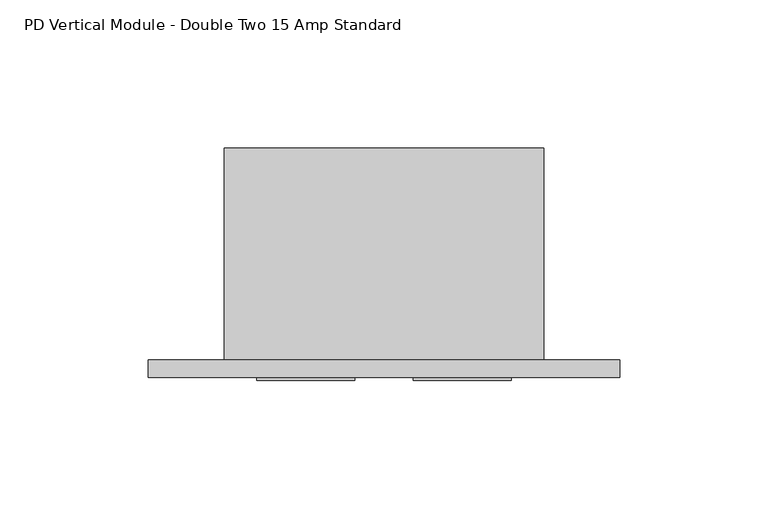
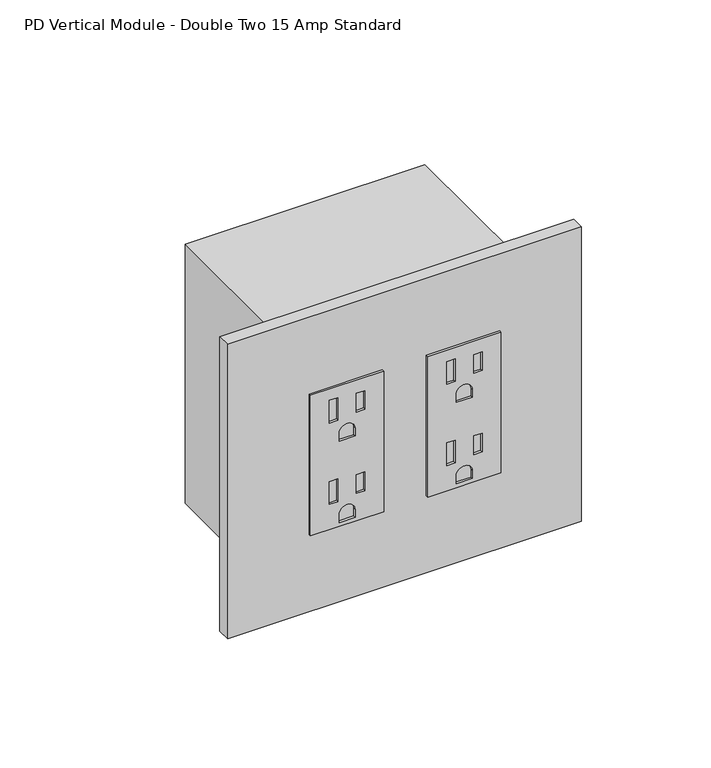
"""IFC4 building model written with IfcOpenShell, lengths in millimetres: proxy geometry, PD Vertical Module - Double Two 15 Amp Standard."""

from ifc_helpers import new_model, si_unit, point, frame, frame_2d, origin, place, context, project, spatial, polyline, circle_curve, trimmed, segment, composite_curve, outline, extrude, source, transform, mapped, element, save


def pd_vertical_module_double_two_15_amp_standard_5d486d28(model_context):
    return source(origin(), model_context, "Body", "SweptSolid", [
        extrude(outline(polyline([(414.3876229, 96.9264), (414.3876229, 63.9318), (347.4332229, 63.9318), (347.4332229, 96.9264), (414.3876229, 96.9264)]), holes=[polyline([(409.0028229, 76.2762), (398.1824229, 76.2762), (398.1824229, 72.4408), (409.0028229, 72.4408), (409.0028229, 76.2762)]), polyline([(408.0249229, 88.4428), (399.1603229, 88.4428), (399.1603229, 84.6074), (408.0249229, 84.6074), (408.0249229, 88.4428)]), composite_curve([segment(polyline([(387.9970229, 76.7969), (391.6292229, 76.7969)]), True, "CONTINUOUS"), segment(trimmed(circle_curve(frame_2d((391.6292229, 80.4291)), 3.6322), [point((391.6292229, 76.7969))], [point((391.6292229, 84.0613))], True, "CARTESIAN"), True, "CONTINUOUS"), segment(polyline([(391.6292229, 84.0613), (387.9970229, 84.0613), (387.9970229, 76.7969)]), True, "CONTINUOUS")], self_intersect=False), polyline([(370.2678229, 76.2762), (359.4474229, 76.2762), (359.4474229, 72.4408), (370.2678229, 72.4408), (370.2678229, 76.2762)]), polyline([(369.2899229, 88.4428), (360.4253229, 88.4428), (360.4253229, 84.6074), (369.2899229, 84.6074), (369.2899229, 88.4428)]), composite_curve([segment(polyline([(352.8942229, 84.0613), (349.2620229, 84.0613), (349.2620229, 76.7969), (352.8942229, 76.7969)]), True, "CONTINUOUS"), segment(trimmed(circle_curve(frame_2d((352.8942229, 80.4291)), 3.6322), [point((352.8942229, 76.7969))], [point((352.8942229, 84.0613))], True, "CARTESIAN"), True, "CONTINUOUS")], self_intersect=False)]), frame((0.0, -6.9294746, 0.0), z_axis=(0.0, 1.0, 0.0), x_axis=(0.0, 0.0, 1.0)), (0.0, 0.0, 1.0), 1.0366746),
        extrude(outline(polyline([(414.3876229, 44.0944), (414.3876229, 11.0998), (347.4332229, 11.0998), (347.4332229, 44.0944), (414.3876229, 44.0944)]), holes=[polyline([(409.0028229, 23.4442), (398.1824229, 23.4442), (398.1824229, 19.6088), (409.0028229, 19.6088), (409.0028229, 23.4442)]), polyline([(408.0249229, 35.6108), (399.1603229, 35.6108), (399.1603229, 31.7754), (408.0249229, 31.7754), (408.0249229, 35.6108)]), composite_curve([segment(polyline([(387.9970229, 31.2293), (387.9970229, 23.9649), (391.6292229, 23.9649)]), True, "CONTINUOUS"), segment(trimmed(circle_curve(frame_2d((391.6292229, 27.5971)), 3.6322), [point((391.6292229, 23.9649))], [point((391.6292229, 31.2293))], True, "CARTESIAN"), True, "CONTINUOUS"), segment(polyline([(391.6292229, 31.2293), (387.9970229, 31.2293)]), True, "CONTINUOUS")], self_intersect=False), polyline([(370.2678229, 23.4442), (359.4474229, 23.4442), (359.4474229, 19.6088), (370.2678229, 19.6088), (370.2678229, 23.4442)]), polyline([(369.2899229, 35.6108), (360.4253229, 35.6108), (360.4253229, 31.7754), (369.2899229, 31.7754), (369.2899229, 35.6108)]), composite_curve([segment(polyline([(349.2620229, 31.2293), (349.2620229, 23.9649), (352.8942229, 23.9649)]), True, "CONTINUOUS"), segment(trimmed(circle_curve(frame_2d((352.8942229, 27.5971)), 3.6322), [point((352.8942229, 23.9649))], [point((352.8942229, 31.2293))], True, "CARTESIAN"), True, "CONTINUOUS"), segment(polyline([(352.8942229, 31.2293), (349.2620229, 31.2293)]), True, "CONTINUOUS")], self_intersect=False)]), frame((0.0, -6.9294746, 0.0), z_axis=(0.0, 1.0, 0.0), x_axis=(0.0, 0.0, 1.0)), (0.0, 0.0, 1.0), 1.0366746),
        extrude(outline(polyline([(-25.6794, 0.0), (133.7056, 0.0), (133.7056, -5.8928), (-25.6794, -5.8928), (-25.6794, 0.0)])), frame((0.0, 0.0, 310.7302229), z_axis=(0.0, 0.0, 1.0), x_axis=(1.0, 0.0, 0.0)), (0.0, 0.0, 1.0), 140.3604),
        extrude(outline(polyline([(108.0262, 0.0), (0.0, 0.0), (0.0, 71.7296), (108.0262, 71.7296), (108.0262, 0.0)])), frame((0.0, 0.0, 319.1630229), z_axis=(0.0, 0.0, 1.0), x_axis=(1.0, 0.0, 0.0)), (0.0, 0.0, 1.0), 123.4948),
    ])


if __name__ == "__main__":
    model = new_model("IFC4")
    model_context = context("Model", 3, world=origin())
    ifc_project = project(units=[si_unit("LENGTHUNIT", "METRE", prefix="MILLI")], contexts=[model_context])
    site = spatial("IfcSite", under=ifc_project)
    building = spatial("IfcBuilding", under=site)
    placement = place(None, origin())
    pd_vertical_module_double_two_15_amp_standard_shape = pd_vertical_module_double_two_15_amp_standard_5d486d28(model_context)
    element("IfcBuildingElementProxy", 1, Name="PD Vertical Module - Double Two 15 Amp Standard", ObjectType="PD Vertical Module - Double Two 15 Amp Standard", at=placement, inside=building, context=model_context, shape_type="MappedRepresentation", body=[
        mapped(pd_vertical_module_double_two_15_amp_standard_shape, transform((0.0, 0.0, 0.0), x_axis=(1.0, 0.0, 0.0), y_axis=(0.0, 1.0, 0.0), z_axis=(0.0, 0.0, 1.0))),
    ])
    save(model, "model.ifc")
